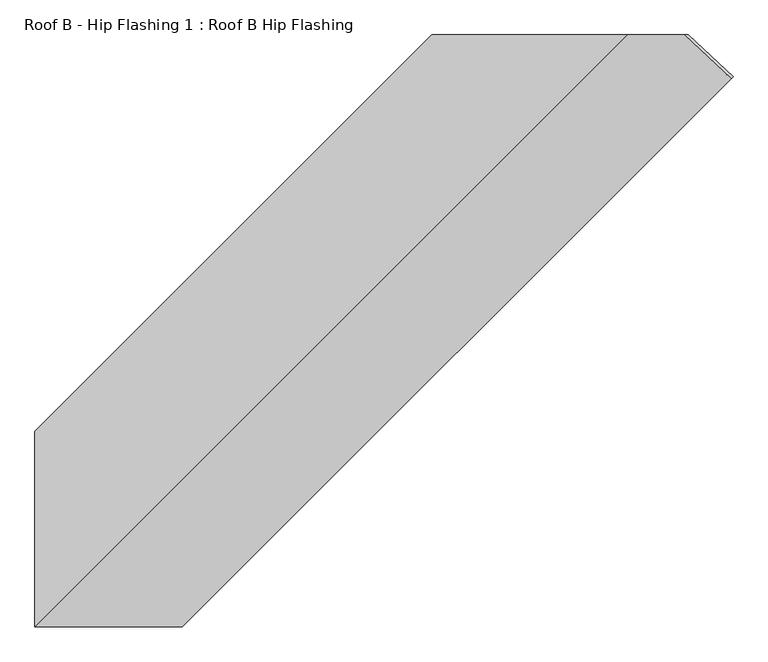
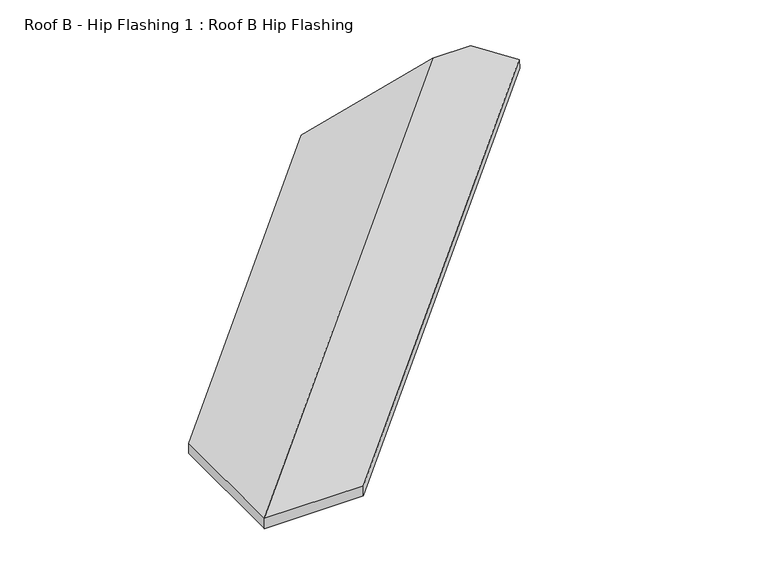
"""IFC4 building model written with IfcOpenShell, lengths in millimetres: proxy geometry, Roof B - Hip Flashing 1 : Roof B Hip Flashing."""

import ifcopenshell
import ifcopenshell.guid

model = None  # the IFC model being written
_history = None  # IfcOwnerHistory: only IFC2X3 demands one
_inside = {}  # id of a spatial element -> (the spatial element, [elements in it])
_under = {}  # id of a project, library or spatial element -> (it, [spatial elements below it])
_declared = {}  # id of a project -> (the project, [libraries it declares])
_typed = {}  # id of a type object -> (the type object, [elements of that type])
_made_of = {}  # id of a material, layer set ... -> (it, [elements and type objects made of it])


def new_model(schema):
    """Start an empty IFC model of exactly this schema.

    Asked for "IFC4X3", IfcOpenShell would pick the latest addendum, in which some entities
    have other attributes; the version numbers below select the first issue.
    IFC2X3 requires an IfcOwnerHistory on every rooted entity: one is made here for all.
    """
    global model, _history
    if schema == "IFC4X3":
        model = ifcopenshell.file(schema_version=(4, 3, 0, 0))
    else:
        model = ifcopenshell.file(schema=schema)
    _inside.clear()
    _under.clear()
    _declared.clear()
    _typed.clear()
    _made_of.clear()
    _history = None
    if model.schema == "IFC2X3":
        org = make("IfcOrganization", Name="unknown")
        user = make(
            "IfcPersonAndOrganization",
            ThePerson=make("IfcPerson", FamilyName="unknown"),
            TheOrganization=org,
        )
        app = make(
            "IfcApplication",
            ApplicationDeveloper=org,
            Version="unknown",
            ApplicationFullName="unknown",
            ApplicationIdentifier="unknown",
        )
        _history = make(
            "IfcOwnerHistory",
            OwningUser=user,
            OwningApplication=app,
            ChangeAction="ADDED",
            CreationDate=0,
        )
    return model


def make(cls, **values):
    """One entity of the class cls with the attributes given. An attribute that is None is left unset."""
    return model.create_entity(
        cls, **{name: value for name, value in values.items() if value is not None}
    )


def rooted(cls, **values):
    """An entity with a GlobalId (a new one), such as an element, a storey or a relation."""
    return make(cls, GlobalId=ifcopenshell.guid.new(), OwnerHistory=_history, **values)


def si_unit(unit_type, name, prefix=None):
    """IfcSIUnit, for example si_unit("LENGTHUNIT", "METRE", prefix="MILLI")."""
    return make("IfcSIUnit", UnitType=unit_type, Prefix=prefix, Name=name)


def assignment(units):
    """IfcUnitAssignment: the units of a project."""
    return None if units is None else make("IfcUnitAssignment", Units=units)


def point(xyz):
    """IfcCartesianPoint."""
    return None if xyz is None else make("IfcCartesianPoint", Coordinates=xyz)


def direction(xyz):
    """IfcDirection."""
    return None if xyz is None else make("IfcDirection", DirectionRatios=xyz)


def frame(location, z_axis=None, x_axis=None):
    """IfcAxis2Placement3D, a coordinate frame: its origin and axes. An axis left out is left unset."""
    return make(
        "IfcAxis2Placement3D",
        Location=point(location),
        Axis=direction(z_axis),
        RefDirection=direction(x_axis),
    )


def origin():
    """The frame at (0, 0, 0) with its axes left unset."""
    return frame((0.0, 0.0, 0.0))


def place(relative_to, where):
    """IfcLocalPlacement: puts the frame where relative to a parent placement (None: the world)."""
    return make(
        "IfcLocalPlacement", PlacementRelTo=relative_to, RelativePlacement=where
    )


def context(
    kind, dimensions, precision=None, world=None, true_north=None, identifier=None
):
    """IfcGeometricRepresentationContext, for example the 3D "Model" context."""
    return make(
        "IfcGeometricRepresentationContext",
        ContextIdentifier=identifier,
        ContextType=kind,
        CoordinateSpaceDimension=dimensions,
        Precision=precision,
        WorldCoordinateSystem=world,
        TrueNorth=true_north,
    )


def project(units=None, contexts=None):
    """IfcProject with its units and contexts."""
    return rooted(
        "IfcProject",
        Name="project",
        RepresentationContexts=contexts,
        UnitsInContext=assignment(units),
    )


def spatial(cls, under=None, at=None, **own):
    """A site, building, storey or space (cls), placed at a placement, below another one or the project."""
    s = rooted(cls, ObjectPlacement=at, **own)
    if under is not None:
        _under.setdefault(under.id(), (under, []))[1].append(s)
    return s


def faces_of(points, faces, orient=None, outer=None):
    """IfcFace entities. A face is a list of loops; a loop is a list of indices into points, from 0.

    orient and outer hold one flag for each loop. By default every Orientation is true, the
    first loop of a face is its IfcFaceOuterBound and the others are IfcFaceBound.
    """
    made = []
    for i, loops in enumerate(faces):
        bounds = []
        for j, loop in enumerate(loops):
            is_outer = j == 0 if outer is None else outer[i][j]
            bounds.append(
                make(
                    "IfcFaceOuterBound" if is_outer else "IfcFaceBound",
                    Bound=make("IfcPolyLoop", Polygon=[points[k] for k in loop]),
                    Orientation=True if orient is None else orient[i][j],
                )
            )
        made.append(make("IfcFace", Bounds=bounds))
    return made


def faceted_brep(points, faces, orient=None, outer=None, voids=None):
    """IfcFacetedBrep: a solid bounded by flat faces; with voids (closed shells), ...WithVoids."""
    shared = [point(p) for p in points]
    hull = make("IfcClosedShell", CfsFaces=faces_of(shared, faces, orient, outer))
    if voids is None:
        return make("IfcFacetedBrep", Outer=hull)
    return make(
        "IfcFacetedBrepWithVoids",
        Outer=hull,
        Voids=[
            make(cls, CfsFaces=faces_of(shared, fs, o, b)) for cls, fs, o, b in voids
        ],
    )


def shape(context_of_items, identifier, shape_type, items):
    """IfcShapeRepresentation: the items that make up one representation, for example the "Body"."""
    return make(
        "IfcShapeRepresentation",
        ContextOfItems=context_of_items,
        RepresentationIdentifier=identifier,
        RepresentationType=shape_type,
        Items=items,
    )


def source(mapping_origin, context_of_items, identifier, shape_type, items):
    """IfcRepresentationMap: a shape defined once, which mapped items show again and again."""
    return make(
        "IfcRepresentationMap",
        MappingOrigin=mapping_origin,
        MappedRepresentation=shape(context_of_items, identifier, shape_type, items),
    )


def transform(
    local_origin,
    x_axis=None,
    y_axis=None,
    z_axis=None,
    scale=None,
    scale2=None,
    scale3=None,
    uniform=True,
):
    """IfcCartesianTransformationOperator3D, or its non-uniform kind. x_axis, y_axis, z_axis: its Axis1, 2, 3."""
    if uniform:
        return make(
            "IfcCartesianTransformationOperator3D",
            Axis1=direction(x_axis),
            Axis2=direction(y_axis),
            LocalOrigin=point(local_origin),
            Scale=scale,
            Axis3=direction(z_axis),
        )
    return make(
        "IfcCartesianTransformationOperator3DnonUniform",
        Axis1=direction(x_axis),
        Axis2=direction(y_axis),
        LocalOrigin=point(local_origin),
        Scale=scale,
        Axis3=direction(z_axis),
        Scale2=scale2,
        Scale3=scale3,
    )


def mapped(mapping_source, mapping_target):
    """IfcMappedItem: shows the shape of a source again, moved by a transform."""
    return make(
        "IfcMappedItem", MappingSource=mapping_source, MappingTarget=mapping_target
    )


def made_of(thing, what):
    """Note that an element or type object is made of a material, layer set ...; save() writes the relation."""
    if what is not None:
        _made_of.setdefault(what.id(), (what, []))[1].append(thing)
    return thing


def element(
    cls,
    number,
    at=None,
    inside=None,
    cuts=None,
    type_object=None,
    material=None,
    context=None,
    identifier="Body",
    shape_type=None,
    held_by="IfcProductDefinitionShape",
    body=None,
    shapes=None,
    **own,
):
    """One element of the class cls, such as IfcWall. Its Tag is "e" and its number.

    at: its placement. inside: the storey or other place that contains it. cuts: it is an
    opening in that element (IfcRelVoidsElement). A single representation is given by context,
    identifier, shape_type and body (its items); several are given by shapes. held_by: the class
    of the entity that holds the representations. save() writes the other relations.
    """
    e = rooted(cls, Tag="e%d" % number, ObjectPlacement=at, **own)
    if body is not None:
        shapes = [shape(context, identifier, shape_type, body)]
    if shapes is not None:
        e.Representation = make(held_by, Representations=shapes)
    if inside is not None:
        _inside.setdefault(inside.id(), (inside, []))[1].append(e)
    if cuts is not None:
        rooted(
            "IfcRelVoidsElement", RelatingBuildingElement=cuts, RelatedOpeningElement=e
        )
    if type_object is not None:
        _typed.setdefault(type_object.id(), (type_object, []))[1].append(e)
    return made_of(e, material)


def aggregate(whole, parts):
    """IfcRelAggregates: a whole, such as a stair, and the parts it consists of."""
    return rooted("IfcRelAggregates", RelatingObject=whole, RelatedObjects=parts)


def save(model, path):
    """Write the relations noted so far, then the file.

    IfcRelAggregates (storeys below a building ...), IfcRelContainedInSpatialStructure (elements
    in a storey), IfcRelDefinesByType, IfcRelAssociatesMaterial and IfcRelDeclares: one each for
    every whole, place, type object, material and project.
    """
    for whole, parts in _under.values():
        aggregate(whole, parts)
    for where, things in _inside.values():
        rooted(
            "IfcRelContainedInSpatialStructure",
            RelatedElements=things,
            RelatingStructure=where,
        )
    for kind, things in _typed.values():
        rooted("IfcRelDefinesByType", RelatedObjects=things, RelatingType=kind)
    for what, things in _made_of.values():
        rooted("IfcRelAssociatesMaterial", RelatedObjects=things, RelatingMaterial=what)
    for by, libraries in _declared.values():
        rooted("IfcRelDeclares", RelatingContext=by, RelatedDefinitions=libraries)
    model.write(path)


def roof_b_hip_flashing_1_roof_b_hip_flashing_a63b715a(model_context):
    return source(origin(), model_context, "Body", "Brep", [
        faceted_brep([(1006.8170572, -3400.2441419, 3635.261907), (1011.6107982, -3395.4504009, 3599.4809368), (908.7834952, -3299.5112211, 3625.1877625), (898.851838, -3299.5112211, 3662.2532118), (-592.3642623, -4211.6313734, 3260.853156), (-592.3642623, -4211.6313734, 3297.5728098), (319.75589, -3299.5112211, 3541.974668), (319.75589, -3299.5112211, 3505.2550142), (-592.3642623, -4660.4975954, 3297.5728098), (768.6415264, -3299.5112211, 3662.2532118), (-253.4363964, -4660.4975954, 3297.5780119), (-253.4363964, -4660.4975954, 3260.5125626), (-592.3642623, -4660.4975954, 3260.5125626), (-592.3642623, -4659.2264836, 3260.853156), (767.3510002, -3299.5112211, 3625.1877625)], [[[0, 1, 2, 3]], [[4, 5, 6, 7]], [[5, 8, 9, 6]], [[10, 0, 3, 9, 8]], [[1, 0, 10, 11]], [[1, 11, 12, 13, 14, 2]], [[13, 4, 7, 14]], [[10, 8, 12, 11]], [[5, 4, 13, 12, 8]], [[3, 2, 14, 7, 6, 9]]]),
    ])


if __name__ == "__main__":
    model = new_model("IFC4")
    model_context = context("Model", 3, world=origin())
    ifc_project = project(units=[si_unit("LENGTHUNIT", "METRE", prefix="MILLI")], contexts=[model_context])
    site = spatial("IfcSite", under=ifc_project)
    building = spatial("IfcBuilding", under=site)
    placement = place(None, origin())
    roof_b_hip_flashing_1_roof_b_hip_flashing_shape = roof_b_hip_flashing_1_roof_b_hip_flashing_a63b715a(model_context)
    element("IfcBuildingElementProxy", 1, Name="Roof B - Hip Flashing 1 : Roof B Hip Flashing", ObjectType="Roof B - Hip Flashing 1 : Roof B Hip Flashing", at=placement, inside=building, context=model_context, shape_type="MappedRepresentation", body=[
        mapped(roof_b_hip_flashing_1_roof_b_hip_flashing_shape, transform((0.0, 0.0, 0.0), x_axis=(1.0, 0.0, 0.0), y_axis=(0.0, 1.0, 0.0), z_axis=(0.0, 0.0, 1.0))),
    ])
    save(model, "model.ifc")
